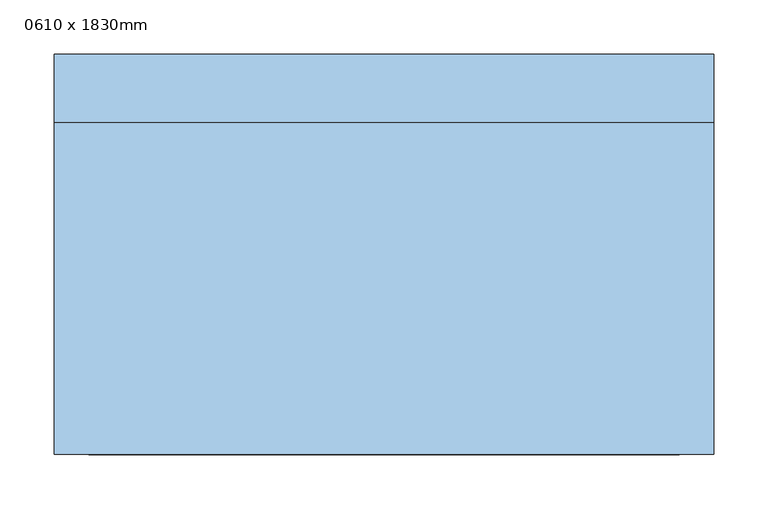
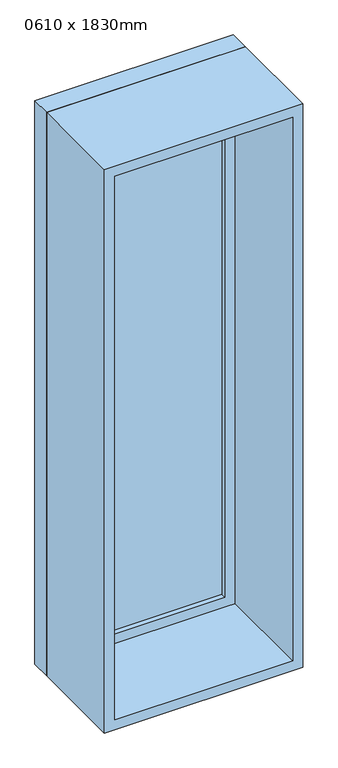
"""IFC4 building model written with IfcOpenShell, lengths in millimetres: window geometry, 0610 x 1830mm."""

from ifc_helpers import new_model, si_unit, frame, origin, place, context, project, spatial, polyline, outline, extrude, source, transform, mapped, element, save


def window_0610_x_1830mm_399021d7(model_context):
    return source(origin(), model_context, "Body", "SweptSolid", [
        extrude(outline(polyline([(-242.0, 163.0), (242.0, 163.0), (242.0, 151.0), (-242.0, 151.0), (-242.0, 163.0)])), frame((0.0, 0.0, 663.0), z_axis=(0.0, 0.0, 1.0), x_axis=(1.0, 0.0, 0.0)), (0.0, 0.0, 1.0), 1704.0),
        extrude(outline(polyline([(2411.0, -286.0), (619.0, -286.0), (619.0, 286.0), (2411.0, 286.0), (2411.0, -286.0)]), holes=[polyline([(2367.0, -242.0), (2367.0, 242.0), (663.0, 242.0), (663.0, -242.0), (2367.0, -242.0)])]), frame((0.0, 135.0, 0.0), z_axis=(0.0, 1.0, 0.0), x_axis=(0.0, 0.0, 1.0)), (0.0, 0.0, 1.0), 44.0),
        extrude(outline(polyline([(2430.0, -305.0), (600.0, -305.0), (600.0, 305.0), (2430.0, 305.0), (2430.0, -305.0)]), holes=[polyline([(2411.0, -286.0), (2411.0, 286.0), (619.0, 286.0), (619.0, -286.0), (2411.0, -286.0)])]), frame((0.0, 135.0, 0.0), z_axis=(0.0, 1.0, 0.0), x_axis=(0.0, 0.0, 1.0)), (0.0, 0.0, 1.0), 63.0),
        extrude(outline(polyline([(2430.0, -305.0), (600.0, -305.0), (600.0, 305.0), (2430.0, 305.0), (2430.0, -305.0)]), holes=[polyline([(2398.0, -273.0), (2398.0, 273.0), (632.0, 273.0), (632.0, -273.0), (2398.0, -273.0)])]), frame((0.0, -172.0, 0.0), z_axis=(0.0, 1.0, 0.0), x_axis=(0.0, 0.0, 1.0)), (0.0, 0.0, 1.0), 307.0),
    ])


if __name__ == "__main__":
    model = new_model("IFC4")
    model_context = context("Model", 3, world=origin())
    ifc_project = project(units=[si_unit("LENGTHUNIT", "METRE", prefix="MILLI")], contexts=[model_context])
    site = spatial("IfcSite", under=ifc_project)
    building = spatial("IfcBuilding", under=site)
    placement = place(None, origin())
    window_0610_x_1830mm_shape = window_0610_x_1830mm_399021d7(model_context)
    element("IfcWindow", 1, ObjectType="0610 x 1830mm", at=placement, inside=building, context=model_context, shape_type="MappedRepresentation", body=[
        mapped(window_0610_x_1830mm_shape, transform((0.0, 0.0, 0.0), x_axis=(1.0, 0.0, 0.0), y_axis=(0.0, 1.0, 0.0), z_axis=(0.0, 0.0, 1.0))),
    ])
    save(model, "model.ifc")
